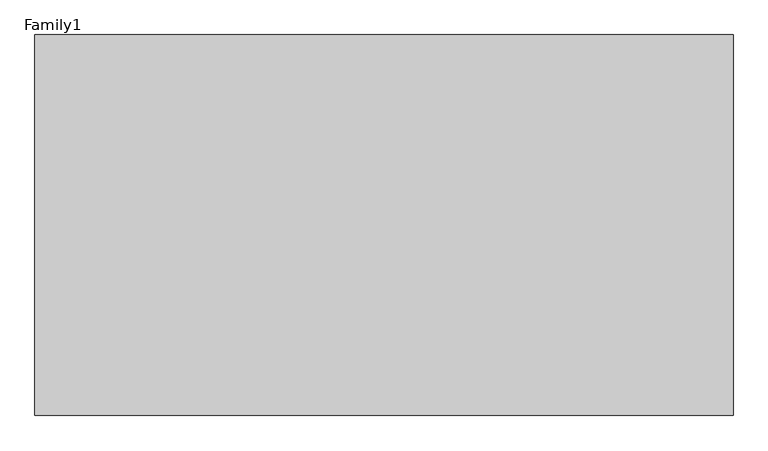
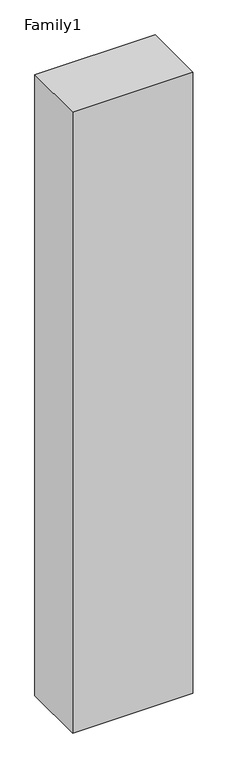
"""IFC4 building model written with IfcOpenShell, lengths in millimetres: proxy geometry, Family1."""

from ifc_helpers import new_model, si_unit, origin, origin_with_axes, place, context, project, spatial, polyline, outline, extrude, source, transform, mapped, element, save


def family1_da23809b(model_context):
    return source(origin(), model_context, "Body", "SweptSolid", [
        extrude(outline(polyline([(5500.0, 0.0), (0.0, 0.0), (0.0, 3000.0), (5500.0, 3000.0), (5500.0, 0.0)])), origin_with_axes(), (0.0, 0.0, 1.0), 30047.0),
    ])


if __name__ == "__main__":
    model = new_model("IFC4")
    model_context = context("Model", 3, world=origin())
    ifc_project = project(units=[si_unit("LENGTHUNIT", "METRE", prefix="MILLI")], contexts=[model_context])
    site = spatial("IfcSite", under=ifc_project)
    building = spatial("IfcBuilding", under=site)
    placement = place(None, origin())
    family1_shape = family1_da23809b(model_context)
    element("IfcBuildingElementProxy", 1, Name="Family1", ObjectType="Family1", at=placement, inside=building, context=model_context, shape_type="MappedRepresentation", body=[
        mapped(family1_shape, transform((0.0, 0.0, 0.0), x_axis=(1.0, 0.0, 0.0), y_axis=(0.0, 1.0, 0.0), z_axis=(0.0, 0.0, 1.0))),
    ])
    save(model, "model.ifc")
